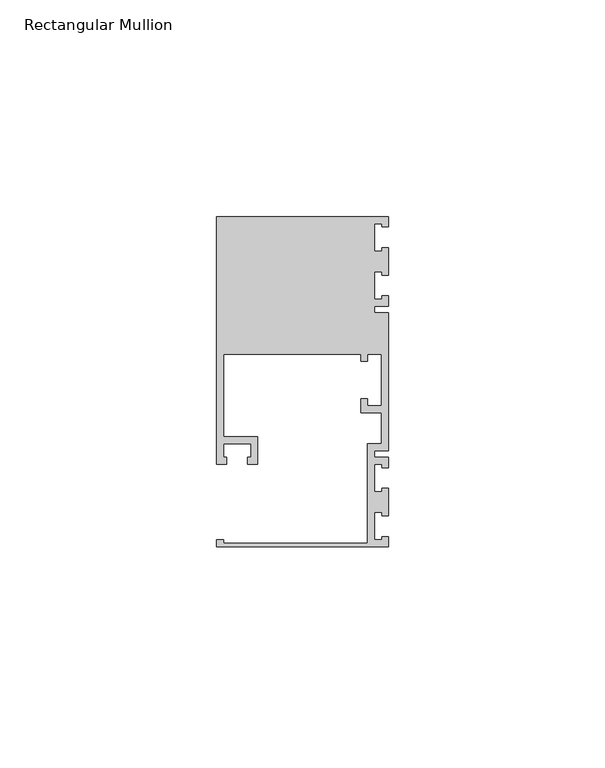
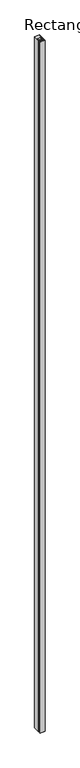
"""IFC4 building model written with IfcOpenShell, lengths in millimetres: member geometry, Rectangular Mullion."""

from ifc_helpers import new_model, si_unit, frame, origin, place, context, project, spatial, polyline, outline, extrude, source, transform, mapped, element, save


def rectangular_mullion_8826db6d(model_context):
    return source(origin(), model_context, "Body", "SweptSolid", [
        extrude(outline(polyline([(0.0, -38.1), (-39.6875, -38.1), (-39.6875, -36.5125), (-38.1, -36.5125), (-38.1, -37.30625), (-4.7625, -37.30625), (-4.7625, -14.2875), (-1.5875, -14.2875), (-1.5875, -7.14375), (-6.35, -7.14375), (-6.35, -3.96875), (-4.7625, -3.96875), (-4.7625, -5.55625), (-1.5875, -5.55625), (-1.5875, 6.35), (-4.7625, 6.35), (-4.7625, 4.7625), (-6.35, 4.7625), (-6.35, 6.35), (-38.1, 6.35), (-38.1, -12.7), (-30.1625, -12.7), (-30.1625, -19.05), (-32.54375, -19.05), (-32.54375, -17.4625), (-31.75, -17.4625), (-31.75, -14.2875), (-38.1, -14.2875), (-38.1, -17.4625), (-37.30625, -17.4625), (-37.30625, -19.05), (-39.6875, -19.05), (-39.6875, 38.1), (0.0, 38.1), (0.0, 35.71875), (-1.4999946, 35.71875), (-1.4999946, 36.5125), (-3.175, 36.5125), (-3.175, 30.1625), (-1.4999946, 30.1625), (-1.4999946, 30.95625), (0.0, 30.95625), (0.0, 24.60625), (-1.4999946, 24.60625), (-1.4999946, 25.4), (-3.175, 25.4), (-3.175, 19.05), (-1.4999946, 19.05), (-1.4999946, 19.84375), (0.0, 19.84375), (0.0, 17.4625), (-3.175, 17.4625), (-3.175, 15.875), (0.0, 15.875), (0.0, -15.875), (-3.175, -15.875), (-3.175, -17.4625), (0.0, -17.4625), (0.0, -19.84375), (-1.4999946, -19.84375), (-1.4999946, -19.05), (-3.175, -19.05), (-3.175, -25.4), (-1.4999946, -25.4), (-1.4999946, -24.60625), (0.0, -24.60625), (0.0, -30.95625), (-1.4999946, -30.95625), (-1.4999946, -30.1625), (-3.175, -30.1625), (-3.175, -36.5125), (-1.4999946, -36.5125), (-1.4999946, -35.71875), (0.0, -35.71875), (0.0, -38.1)])), frame((0.0, 0.0, -5991.225), z_axis=(0.0, 0.0, 1.0), x_axis=(1.0, 0.0, 0.0)), (0.0, 0.0, 1.0), 5991.225),
    ])


if __name__ == "__main__":
    model = new_model("IFC4")
    model_context = context("Model", 3, world=origin())
    ifc_project = project(units=[si_unit("LENGTHUNIT", "METRE", prefix="MILLI")], contexts=[model_context])
    site = spatial("IfcSite", under=ifc_project)
    building = spatial("IfcBuilding", under=site)
    placement = place(None, origin())
    rectangular_mullion_shape = rectangular_mullion_8826db6d(model_context)
    element("IfcMember", 1, ObjectType="Rectangular Mullion", at=placement, inside=building, context=model_context, shape_type="MappedRepresentation", body=[
        mapped(rectangular_mullion_shape, transform((0.0, 0.0, 0.0), x_axis=(1.0, 0.0, 0.0), y_axis=(0.0, 1.0, 0.0), z_axis=(0.0, 0.0, 1.0))),
    ])
    save(model, "model.ifc")
